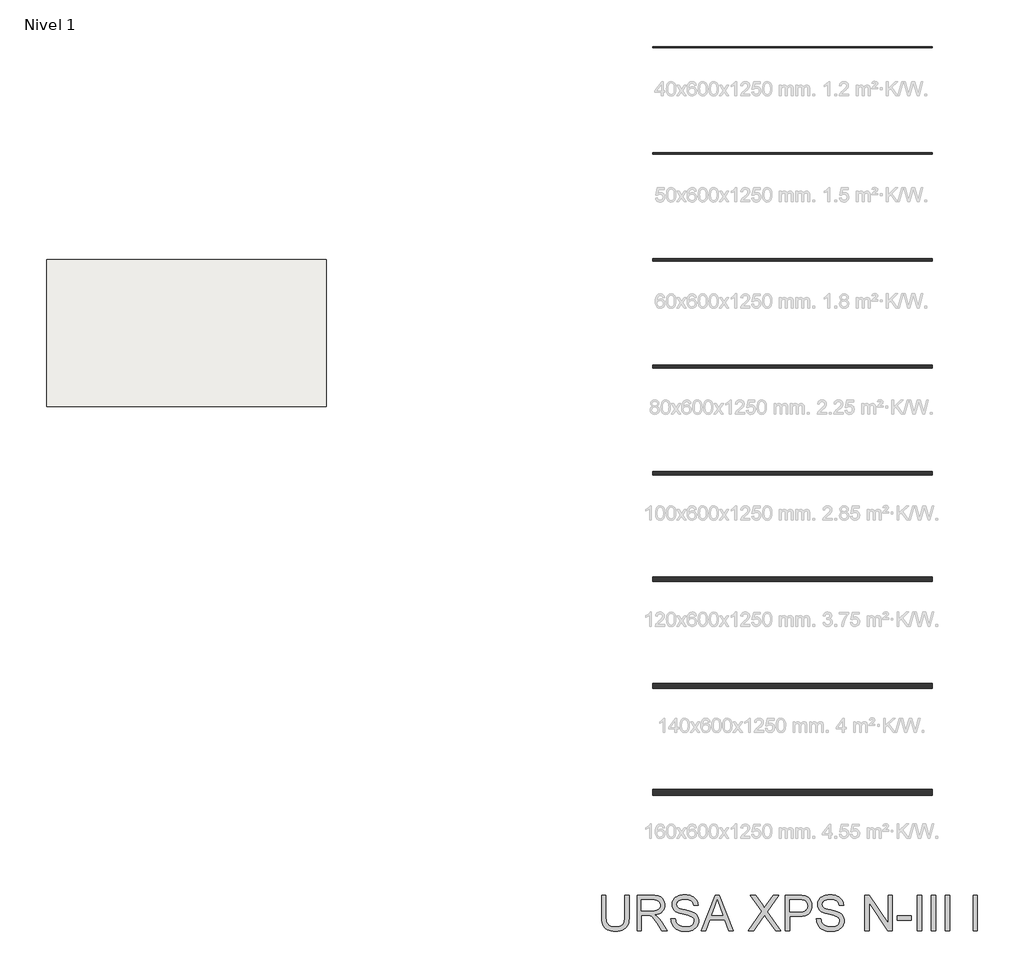
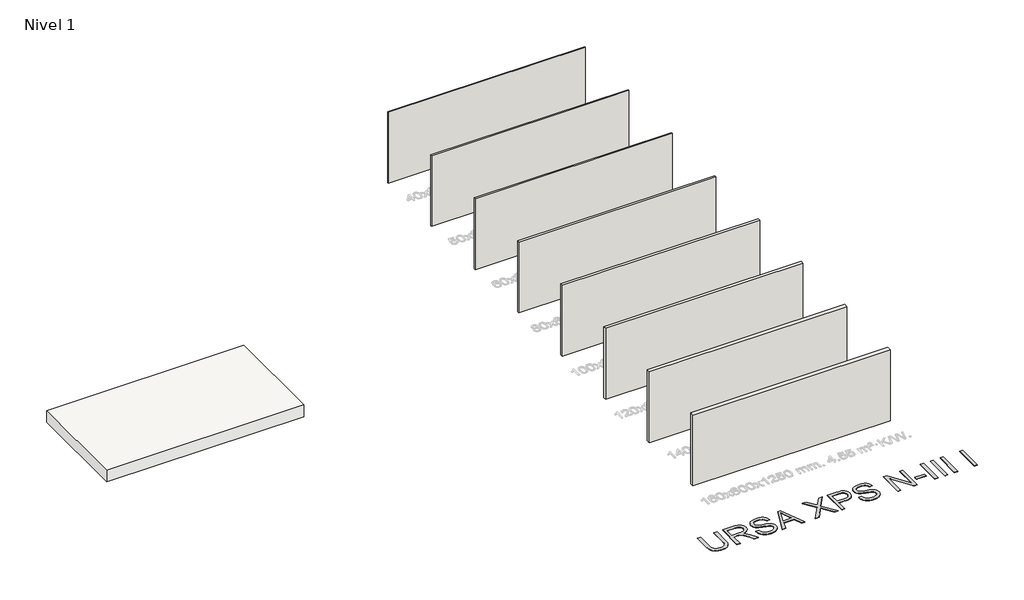
# One storey, part 1 of 9: 8 walls, 1 proxy, 1 slab.
"""IFC4 building model written with IfcOpenShell, lengths in millimetres."""

from ifc_helpers import new_model, si_unit, frame, origin, origin_with_axes, place, context, project, spatial, polyline, outline, extrude, element, save

model = new_model("IFC4")

# Units and contexts
model_context = context("Model", 3, world=origin())
ifc_project = project(units=[si_unit("LENGTHUNIT", "METRE", prefix="MILLI")], contexts=[model_context])

# Site, building, storey
site = spatial("IfcSite", under=ifc_project)
building = spatial("IfcBuilding", under=site)
storey = spatial("IfcBuildingStorey", under=building, Name="Nivel 1", Elevation=0.0)

# Proxy
placement = place(None, origin())
element("IfcBuildingElementProxy", 1, Name="Texto de modelo 2", ObjectType="Texto de modelo 2", at=placement, inside=storey, context=model_context, shape_type="SweptSolid", body=[
    extrude(outline(polyline([(-7324.4121984, -20003.8387308), (-7198.8418107, -20003.8387308), (-7198.8418107, -20583.3755006), (-7200.9724606, -20655.1354823), (-7207.3644103, -20719.0933), (-7218.0176597, -20775.2489537), (-7232.932209, -20823.6024434), (-7253.3956449, -20865.985515), (-7280.6955547, -20904.229914), (-7314.8319381, -20938.3356407), (-7355.8047954, -20968.3026949), (-7403.6601116, -20992.7131981), (-7458.443872, -21010.1492718), (-7520.1560767, -21020.6109161), (-7588.7967256, -21024.0981308), (-7655.7435845, -21021.0631043), (-7716.2984938, -21011.958025), (-7770.4614534, -20996.7828927), (-7818.2324633, -20975.5377074), (-7859.6191877, -20948.5367018), (-7894.629291, -20916.0941084), (-7923.2627729, -20878.2099271), (-7945.5196336, -20834.8841579), (-7962.2046149, -20784.6299446), (-7974.1224587, -20725.9604305), (-7981.273165, -20658.8756159), (-7983.6567338, -20583.3755006), (-7983.6567338, -20003.8387308), (-7858.0863461, -20003.8387308), (-7858.0863461, -20578.9609166), (-7856.538176, -20639.66911), (-7851.8936659, -20691.8087187), (-7844.1528155, -20735.3797425), (-7833.3156251, -20770.3821815), (-7818.7076442, -20799.3452244), (-7799.6544225, -20824.7980599), (-7776.1559601, -20846.7406881), (-7748.2122569, -20865.1731089), (-7716.3598075, -20879.7657614), (-7681.1351064, -20890.1890846), (-7642.5381538, -20896.4430785), (-7600.5689495, -20898.5277431), (-7531.3611491, -20894.4043991), (-7472.8525835, -20882.034367), (-7425.0432525, -20861.4176468), (-7405.1508001, -20848.0167788), (-7387.9331563, -20832.5542386), (-7373.0454318, -20814.1601389), (-7360.1427372, -20791.9645918), (-7340.2924379, -20736.1691559), (-7328.3822583, -20665.1679308), (-7324.4121984, -20578.9609166), (-7324.4121984, -20003.8387308)])), origin_with_axes(), (0.0, 0.0, 1.0), 10.0),
    extrude(outline(polyline([(-6979.0936323, -21008.4018323), (-6979.0936323, -20003.8387308), (-6546.2191513, -20003.8387308), (-6484.0854152, -20005.5325209), (-6429.8764703, -20010.6138909), (-6383.5923168, -20019.082841), (-6345.2329546, -20030.9393712), (-6312.5680991, -20047.0955221), (-6283.3674657, -20068.4633347), (-6257.6310545, -20095.0428088), (-6235.3588654, -20126.8339446), (-6217.3862971, -20162.1276235), (-6204.5487483, -20199.2147271), (-6196.846219, -20238.0952555), (-6194.2787092, -20278.7692086), (-6198.5323448, -20330.3646584), (-6211.2932515, -20377.7294653), (-6232.5614294, -20420.8636292), (-6262.3368784, -20459.7671502), (-6301.0028089, -20493.1984265), (-6348.9424314, -20519.9158564), (-6406.1557458, -20539.9194399), (-6472.6427523, -20553.209177), (-6431.2560278, -20580.2485036), (-6401.2736452, -20606.9199483), (-6349.8314795, -20667.9270458), (-6299.4929599, -20736.1691559), (-6131.9840247, -21008.4018323), (-6277.9105495, -21008.4018323), (-6408.6312851, -20800.1806231), (-6460.9318421, -20720.7181121), (-6503.0543305, -20662.3475022), (-6538.1564042, -20622.1563942), (-6569.395717, -20597.2323891), (-6598.9795608, -20582.6090798), (-6629.1152275, -20573.3200594), (-6701.9558626, -20568.9054754), (-6853.5232446, -20568.9054754), (-6853.5232446, -21008.4018323), (-6979.0936323, -21008.4018323)]), holes=[polyline([(-6853.5232446, -20443.3350877), (-6572.4614003, -20443.3350877), (-6491.7419592, -20438.889847), (-6429.1100495, -20425.5541246), (-6403.9254613, -20415.3300709), (-6381.9598405, -20402.4388726), (-6363.2131871, -20386.8805299), (-6347.6855012, -20368.6550427), (-6335.5070744, -20348.6591234), (-6326.808198, -20327.7894844), (-6321.5888722, -20306.0461257), (-6319.8490969, -20283.4290472), (-6323.1676991, -20251.3160147), (-6333.1235056, -20222.176695), (-6349.7165164, -20196.0110881), (-6372.9467316, -20172.819194), (-6403.3506456, -20153.827286), (-6441.4647532, -20140.2616374), (-6487.2890542, -20132.1222482), (-6540.8235487, -20129.4091185), (-6853.5232446, -20129.4091185), (-6853.5232446, -20443.3350877)])]), origin_with_axes(), (0.0, 0.0, 1.0), 10.0),
    extrude(outline(polyline([(-6021.6194262, -20663.0832662), (-5896.0490385, -20663.0832662), (-5890.3008823, -20699.6338753), (-5881.640327, -20732.7662475), (-5870.0673726, -20762.4803828), (-5855.582019, -20788.7762812), (-5837.4485023, -20812.1827732), (-5814.9310586, -20833.228689), (-5788.0296877, -20851.9140286), (-5756.7443897, -20868.2387922), (-5722.2247958, -20881.4902082), (-5685.6205373, -20890.9555054), (-5646.9316141, -20896.6346837), (-5606.1580263, -20898.5277431), (-5536.1991335, -20892.7949154), (-5504.4846399, -20885.6288807), (-5474.9467813, -20875.5964321), (-5448.3136577, -20863.0577874), (-5425.3133688, -20848.3731644), (-5405.9459146, -20831.5425632), (-5390.2112951, -20812.5659836), (-5378.0328682, -20792.263496), (-5369.3339919, -20771.4551706), (-5364.1146661, -20750.1410075), (-5362.3748908, -20728.3210067), (-5367.5865524, -20686.2904887), (-5383.2215372, -20649.9621417), (-5396.3733185, -20633.8443118), (-5414.9820161, -20618.9680836), (-5439.04763, -20605.3334572), (-5468.5701601, -20592.9404325), (-5534.8808897, -20573.2280889), (-5651.4075117, -20544.9931457), (-5771.4290126, -20513.2633237), (-5815.2299627, -20497.9732282), (-5848.2243791, -20483.0663432), (-5881.7552901, -20463.0627597), (-5910.7336615, -20440.8212274), (-5935.1594931, -20416.3417463), (-5955.0327851, -20389.6243164), (-5970.4301794, -20360.9448492), (-5981.4283182, -20330.5792562), (-5988.0272015, -20298.5275374), (-5990.2268293, -20264.7896928), (-5987.5060353, -20227.3960208), (-5979.3436536, -20191.2439506), (-5965.739684, -20156.333482), (-5946.6941265, -20122.6646153), (-5922.421579, -20091.6092435), (-5893.1366394, -20064.53926), (-5858.8393075, -20041.4546648), (-5819.5295835, -20022.3554579), (-5776.5333753, -20007.3872593), (-5731.176591, -19996.6956888), (-5683.4592305, -19990.2807465), (-5633.3812939, -19988.1424324), (-5578.7508177, -19990.3803812), (-5527.4312793, -19997.0942276), (-5479.422679, -20008.2839716), (-5434.7250165, -20023.9496132), (-5394.1660266, -20043.9531967), (-5358.5734435, -20068.1567663), (-5327.9472674, -20096.560322), (-5302.2874983, -20129.1638639), (-5281.7934055, -20165.01703), (-5266.6642584, -20203.1694586), (-5256.9000571, -20243.6211496), (-5252.5008016, -20286.3721031), (-5378.0711893, -20286.3721031), (-5386.4711615, -20246.3036225), (-5401.1251276, -20211.4468035), (-5422.0330877, -20181.801646), (-5449.1950417, -20157.3681502), (-5483.1168273, -20138.2689432), (-5524.3042824, -20124.6266526), (-5572.7574068, -20116.4412782), (-5628.4762007, -20113.7128201), (-5685.9730908, -20116.4106214), (-5735.1006656, -20124.5040253), (-5775.858925, -20137.9930317), (-5808.247869, -20156.8776408), (-5832.9266195, -20179.5790256), (-5850.5542984, -20204.5183592), (-5861.1309058, -20231.6956416), (-5864.6564416, -20261.1108728), (-5862.1579097, -20286.4180884), (-5854.662314, -20309.3647278), (-5842.1696546, -20329.9507911), (-5824.6799314, -20348.1762783), (-5797.1500955, -20365.4360753), (-5753.8013337, -20382.8798132), (-5694.6336461, -20400.5074921), (-5619.6470328, -20418.3191121), (-5481.2007753, -20451.9803146), (-5432.4870677, -20467.2014322), (-5397.4463077, -20481.3495606), (-5358.9489897, -20502.7940152), (-5325.8626028, -20526.9056143), (-5298.1871469, -20553.6843579), (-5275.922622, -20583.1302459), (-5258.808445, -20615.0899942), (-5246.5840328, -20649.4103187), (-5239.2493856, -20686.0912193), (-5236.8045031, -20725.1326961), (-5239.6172676, -20764.4117632), (-5248.0555608, -20802.5411992), (-5262.1193829, -20839.5210039), (-5281.8087339, -20875.3511774), (-5306.7787243, -20908.644498), (-5336.6844648, -20938.0137439), (-5371.5259555, -20963.4589153), (-5411.3031962, -20984.980012), (-5454.8588916, -21002.094189), (-5501.0357462, -21014.3186011), (-5549.83376, -21021.6532484), (-5601.252933, -21024.0981308), (-5665.4866622, -21021.4616432), (-5724.2788036, -21013.5521803), (-5777.6293571, -21000.3697421), (-5825.5383228, -20981.9143287), (-5868.2969405, -20958.1552832), (-5906.1964502, -20929.0619487), (-5939.2368519, -20894.6343253), (-5967.4181456, -20854.872413), (-5990.1195303, -20811.0637988), (-6006.7202054, -20764.4960695), (-6017.2201707, -20715.1692253), (-6021.6194262, -20663.0832662)])), origin_with_axes(), (0.0, 0.0, 1.0), 10.0),
    extrude(outline(polyline([(-5165.4353961, -21008.4018323), (-4764.4440213, -20003.8387308), (-4657.5129881, -20003.8387308), (-4256.5216133, -21008.4018323), (-4389.2043862, -21008.4018323), (-4504.2288234, -20694.4758631), (-4917.9734406, -20694.4758631), (-5032.7526231, -21008.4018323), (-5165.4353961, -21008.4018323)]), holes=[polyline([(-4871.8655639, -20568.9054754), (-4550.0914455, -20568.9054754), (-4640.5904163, -20321.9340293), (-4710.9785047, -20129.4091185), (-4773.5184439, -20300.351619), (-4871.8655639, -20568.9054754)])]), origin_with_axes(), (0.0, 0.0, 1.0), 10.0),
    extrude(outline(polyline([(-3839.8339401, -21008.4018323), (-3452.5768265, -20460.9934235), (-3777.0487463, -20003.8387308), (-3626.4623829, -20003.8387308), (-3443.7476586, -20261.1108728), (-3400.1536422, -20326.2872996), (-3382.1887381, -20361.4200302), (-3310.0838671, -20259.3940902), (-3129.3311801, -20003.8387308), (-2976.5375248, -20003.8387308), (-3301.0094445, -20462.4649515), (-2913.7523309, -21008.4018323), (-3064.3386943, -21008.4018323), (-3322.3466002, -20644.4439118), (-3376.0573715, -20568.9054754), (-3435.1637454, -20651.8015517), (-3687.0402848, -21008.4018323), (-3839.8339401, -21008.4018323)])), origin_with_axes(), (0.0, 0.0, 1.0), 10.0),
    extrude(outline(polyline([(-2788.1819432, -21008.4018323), (-2788.1819432, -20003.8387308), (-2415.8853641, -20003.8387308), (-2329.1878406, -20006.2299638), (-2265.7895101, -20013.4036627), (-2230.8483848, -20020.9375794), (-2198.8656438, -20031.2765963), (-2169.8412872, -20044.4207134), (-2143.775315, -20060.3699308), (-2120.3918157, -20079.4538093), (-2099.4148778, -20102.0019099), (-2080.8445012, -20128.0142326), (-2064.6806861, -20157.4907775), (-2051.5902184, -20189.45819), (-2042.2398844, -20222.9431158), (-2036.6296839, -20257.9455548), (-2034.7596171, -20294.465507), (-2039.8103303, -20356.1317265), (-2054.96247, -20412.8621958), (-2080.2160361, -20464.656915), (-2115.5710287, -20511.5158842), (-2137.8068129, -20532.3242095), (-2164.1084595, -20550.3580915), (-2194.4759685, -20565.6175301), (-2228.9093401, -20578.1025253), (-2267.4085741, -20587.8130771), (-2309.9736706, -20594.7491856), (-2407.3014509, -20600.2980724), (-2662.6115556, -20600.2980724), (-2662.6115556, -21008.4018323), (-2788.1819432, -21008.4018323)]), holes=[polyline([(-2662.6115556, -20474.7276847), (-2399.943811, -20474.7276847), (-2339.5498501, -20471.8459424), (-2288.5981938, -20463.2007155), (-2247.088842, -20448.792004), (-2215.0217948, -20428.6198079), (-2191.0941367, -20403.2206219), (-2174.0029523, -20373.1309403), (-2163.7482417, -20338.3507634), (-2160.3300048, -20298.880091), (-2162.3456916, -20269.5721587), (-2168.3927519, -20242.4715184), (-2178.4711857, -20217.57817), (-2192.580993, -20194.8921137), (-2209.9710815, -20175.1491133), (-2229.8903587, -20159.0849328), (-2252.3388246, -20146.6995723), (-2277.3164793, -20137.9930317), (-2325.7542753, -20131.5550968), (-2402.886867, -20129.4091185), (-2662.6115556, -20129.4091185), (-2662.6115556, -20474.7276847)])]), origin_with_axes(), (0.0, 0.0, 1.0), 10.0),
    extrude(outline(polyline([(-1909.1892294, -20663.0832662), (-1783.6188417, -20663.0832662), (-1777.8706856, -20699.6338753), (-1769.2101303, -20732.7662475), (-1757.6371758, -20762.4803828), (-1743.1518223, -20788.7762812), (-1725.0183056, -20812.1827732), (-1702.5008618, -20833.228689), (-1675.5994909, -20851.9140286), (-1644.3141929, -20868.2387922), (-1609.794599, -20881.4902082), (-1573.1903405, -20890.9555054), (-1534.5014173, -20896.6346837), (-1493.7278295, -20898.5277431), (-1423.7689368, -20892.7949154), (-1392.0544431, -20885.6288807), (-1362.5165846, -20875.5964321), (-1335.883461, -20863.0577874), (-1312.8831721, -20848.3731644), (-1293.5157179, -20831.5425632), (-1277.7810984, -20812.5659836), (-1265.6026715, -20792.263496), (-1256.9037951, -20771.4551706), (-1251.6844693, -20750.1410075), (-1249.9446941, -20728.3210067), (-1255.1563557, -20686.2904887), (-1270.7913405, -20649.9621417), (-1283.9431218, -20633.8443118), (-1302.5518194, -20618.9680836), (-1326.6174332, -20605.3334572), (-1356.1399633, -20592.9404325), (-1422.450693, -20573.2280889), (-1538.977315, -20544.9931457), (-1658.9988159, -20513.2633237), (-1702.7997659, -20497.9732282), (-1735.7941824, -20483.0663432), (-1769.3250934, -20463.0627597), (-1798.3034647, -20440.8212274), (-1822.7292964, -20416.3417463), (-1842.6025883, -20389.6243164), (-1857.9999826, -20360.9448492), (-1868.9981215, -20330.5792562), (-1875.5970047, -20298.5275374), (-1877.7966325, -20264.7896928), (-1875.0758386, -20227.3960208), (-1866.9134568, -20191.2439506), (-1853.3094872, -20156.333482), (-1834.2639297, -20122.6646153), (-1809.9913823, -20091.6092435), (-1780.7064426, -20064.53926), (-1746.4091108, -20041.4546648), (-1707.0993867, -20022.3554579), (-1664.1031786, -20007.3872593), (-1618.7463942, -19996.6956888), (-1571.0290338, -19990.2807465), (-1520.9510972, -19988.1424324), (-1466.3206209, -19990.3803812), (-1415.0010826, -19997.0942276), (-1366.9924822, -20008.2839716), (-1322.2948198, -20023.9496132), (-1281.7358298, -20043.9531967), (-1246.1432468, -20068.1567663), (-1215.5170707, -20096.560322), (-1189.8573015, -20129.1638639), (-1169.3632087, -20165.01703), (-1154.2340617, -20203.1694586), (-1144.4698604, -20243.6211496), (-1140.0706048, -20286.3721031), (-1265.6409925, -20286.3721031), (-1274.0409648, -20246.3036225), (-1288.6949309, -20211.4468035), (-1309.602891, -20181.801646), (-1336.7648449, -20157.3681502), (-1370.6866306, -20138.2689432), (-1411.8740856, -20124.6266526), (-1460.3272101, -20116.4412782), (-1516.0460039, -20113.7128201), (-1573.5428941, -20116.4106214), (-1622.6704689, -20124.5040253), (-1663.4287282, -20137.9930317), (-1695.8176722, -20156.8776408), (-1720.4964227, -20179.5790256), (-1738.1241017, -20204.5183592), (-1748.700709, -20231.6956416), (-1752.2262448, -20261.1108728), (-1749.7277129, -20286.4180884), (-1742.2321173, -20309.3647278), (-1729.7394579, -20329.9507911), (-1712.2497347, -20348.1762783), (-1684.7198987, -20365.4360753), (-1641.3711369, -20382.8798132), (-1582.2034494, -20400.5074921), (-1507.216836, -20418.3191121), (-1368.7705785, -20451.9803146), (-1320.056871, -20467.2014322), (-1285.0161109, -20481.3495606), (-1246.518793, -20502.7940152), (-1213.4324061, -20526.9056143), (-1185.7569501, -20553.6843579), (-1163.4924252, -20583.1302459), (-1146.3782482, -20615.0899942), (-1134.1538361, -20649.4103187), (-1126.8191888, -20686.0912193), (-1124.3743064, -20725.1326961), (-1127.1870708, -20764.4117632), (-1135.6253641, -20802.5411992), (-1149.6891862, -20839.5210039), (-1169.3785371, -20875.3511774), (-1194.3485276, -20908.644498), (-1224.2542681, -20938.0137439), (-1259.0957587, -20963.4589153), (-1298.8729994, -20984.980012), (-1342.4286948, -21002.094189), (-1388.6055494, -21014.3186011), (-1437.4035632, -21021.6532484), (-1488.8227363, -21024.0981308), (-1553.0564655, -21021.4616432), (-1611.8486068, -21013.5521803), (-1665.1991603, -21000.3697421), (-1713.108126, -20981.9143287), (-1755.8667437, -20958.1552832), (-1793.7662534, -20929.0619487), (-1826.8066551, -20894.6343253), (-1854.9879488, -20854.872413), (-1877.6893336, -20811.0637988), (-1894.2900086, -20764.4960695), (-1904.7899739, -20715.1692253), (-1909.1892294, -20663.0832662)])), origin_with_axes(), (0.0, 0.0, 1.0), 10.0),
    extrude(outline(polyline([(-543.6112633, -21008.4018323), (-543.6112633, -20003.8387308), (-409.2117078, -20003.8387308), (115.633272, -20799.6901137), (115.633272, -20003.8387308), (241.2036597, -20003.8387308), (241.2036597, -21008.4018323), (106.8041041, -21008.4018323), (-418.0408756, -20212.3051948), (-418.0408756, -21008.4018323), (-543.6112633, -21008.4018323)])), origin_with_axes(), (0.0, 0.0, 1.0), 10.0),
    extrude(outline(polyline([(382.4703459, -20710.1721616), (382.4703459, -20584.6017739), (774.8778074, -20584.6017739), (774.8778074, -20710.1721616), (382.4703459, -20710.1721616)])), origin_with_axes(), (0.0, 0.0, 1.0), 10.0),
    extrude(outline(polyline([(947.5370904, -21008.4018323), (947.5370904, -20003.8387308), (1073.1074781, -20003.8387308), (1073.1074781, -21008.4018323), (947.5370904, -21008.4018323)])), origin_with_axes(), (0.0, 0.0, 1.0), 10.0),
    extrude(outline(polyline([(1339.944552, -21008.4018323), (1339.944552, -20003.8387308), (1465.5149397, -20003.8387308), (1465.5149397, -21008.4018323), (1339.944552, -21008.4018323)])), origin_with_axes(), (0.0, 0.0, 1.0), 10.0),
    extrude(outline(polyline([(1732.3520135, -21008.4018323), (1732.3520135, -20003.8387308), (1857.9224012, -20003.8387308), (1857.9224012, -21008.4018323), (1732.3520135, -21008.4018323)])), origin_with_axes(), (0.0, 0.0, 1.0), 10.0),
    extrude(outline(polyline([(2517.1669365, -21008.4018323), (2517.1669365, -20003.8387308), (2642.7373242, -20003.8387308), (2642.7373242, -21008.4018323), (2517.1669365, -21008.4018323)])), origin_with_axes(), (0.0, 0.0, 1.0), 10.0),
])

# Slab
element("IfcSlab", 2, at=placement, inside=storey, context=model_context, shape_type="SweptSolid", body=[
    extrude(outline(polyline([(-15769.5892022, -2020.2851318), (-15769.5892022, -6187.1000163), (-23669.5892022, -6187.1000163), (-23669.5892022, -2020.2851318), (-15769.5892022, -2020.2851318)])), frame((0.0, 0.0, -490.0), z_axis=(0.0, 0.0, 1.0), x_axis=(1.0, 0.0, 0.0)), (0.0, 0.0, 1.0), 490.0),
])

# Walls
element("IfcWall", 3, at=placement, inside=storey, context=model_context, shape_type="SweptSolid", body=[
    extrude(outline(polyline([(1368.7582768, 3960.3831431), (-6531.2417232, 3960.3831431), (-6531.2417232, 4000.3831431), (1368.7582768, 4000.3831431), (1368.7582768, 3960.3831431)])), origin_with_axes(), (0.0, 0.0, 1.0), 3000.0),
])
element("IfcWall", 4, at=placement, inside=storey, context=model_context, shape_type="SweptSolid", body=[
    extrude(outline(polyline([(1368.7582768, 950.3831431), (-6531.2417232, 950.3831431), (-6531.2417232, 1000.3831431), (1368.7582768, 1000.3831431), (1368.7582768, 950.3831431)])), origin_with_axes(), (0.0, 0.0, 1.0), 3000.0),
])
element("IfcWall", 5, at=placement, inside=storey, context=model_context, shape_type="SweptSolid", body=[
    extrude(outline(polyline([(1368.7582768, -2063.6168569), (-6531.2417232, -2063.6168569), (-6531.2417232, -2003.6168569), (1368.7582768, -2003.6168569), (1368.7582768, -2063.6168569)])), origin_with_axes(), (0.0, 0.0, 1.0), 3000.0),
])
element("IfcWall", 6, at=placement, inside=storey, context=model_context, shape_type="SweptSolid", body=[
    extrude(outline(polyline([(1368.7582768, -5087.6168569), (-6531.2417232, -5087.6168569), (-6531.2417232, -5007.6168569), (1368.7582768, -5007.6168569), (1368.7582768, -5087.6168569)])), origin_with_axes(), (0.0, 0.0, 1.0), 3000.0),
])
element("IfcWall", 7, at=placement, inside=storey, context=model_context, shape_type="SweptSolid", body=[
    extrude(outline(polyline([(1368.7582768, -8111.6168569), (-6531.2417232, -8111.6168569), (-6531.2417232, -8011.6168569), (1368.7582768, -8011.6168569), (1368.7582768, -8111.6168569)])), origin_with_axes(), (0.0, 0.0, 1.0), 3000.0),
])
element("IfcWall", 8, at=placement, inside=storey, context=model_context, shape_type="SweptSolid", body=[
    extrude(outline(polyline([(1368.7582768, -11125.6168569), (-6531.2417232, -11125.6168569), (-6531.2417232, -11005.6168569), (1368.7582768, -11005.6168569), (1368.7582768, -11125.6168569)])), origin_with_axes(), (0.0, 0.0, 1.0), 3000.0),
])
element("IfcWall", 9, at=placement, inside=storey, context=model_context, shape_type="SweptSolid", body=[
    extrude(outline(polyline([(1368.7582768, -14151.6168569), (-6531.2417232, -14151.6168569), (-6531.2417232, -14011.6168569), (1368.7582768, -14011.6168569), (1368.7582768, -14151.6168569)])), origin_with_axes(), (0.0, 0.0, 1.0), 3000.0),
])
element("IfcWall", 10, at=placement, inside=storey, context=model_context, shape_type="SweptSolid", body=[
    extrude(outline(polyline([(1368.7582768, -17171.6168569), (-6531.2417232, -17171.6168569), (-6531.2417232, -17011.6168569), (1368.7582768, -17011.6168569), (1368.7582768, -17171.6168569)])), origin_with_axes(), (0.0, 0.0, 1.0), 3000.0),
])

save(model, "model.ifc")
